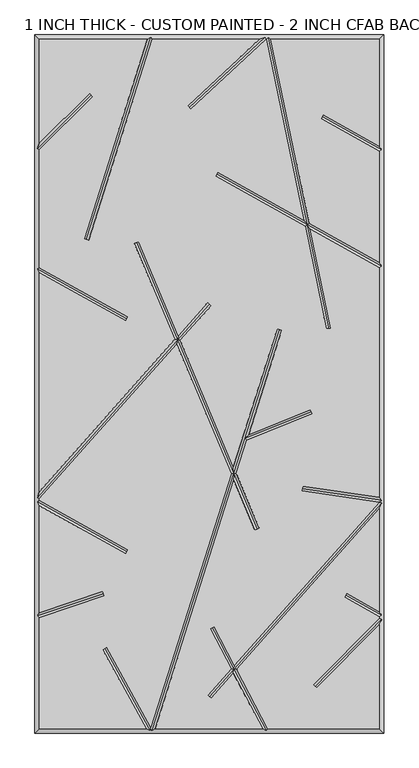
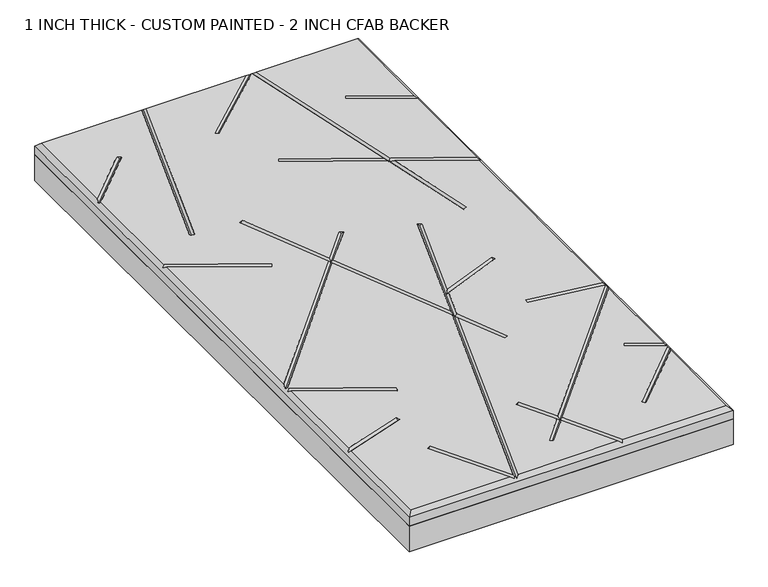
"""IFC4 building model written with IfcOpenShell, lengths in millimetres: proxy geometry, 1 INCH THICK - CUSTOM PAINTED - 2 INCH CFAB BACKER."""

from ifc_helpers import new_model, si_unit, frame, origin, place, context, project, spatial, polyline, outline, extrude, faceted_brep, source, transform, mapped, element, save


def proxy_1_inch_thick_custom_painted_2_inch_cfab_backer_a91a8af3(model_context):
    return source(origin(), model_context, "Body", "SolidModel", [
        extrude(outline(polyline([(-304.8, 609.6), (304.8, 609.6), (304.8, -609.6), (-304.8, -609.6), (-304.8, 609.6)])), frame((0.0, 0.0, -50.8), z_axis=(0.0, 0.0, 1.0), x_axis=(1.0, 0.0, 0.0)), (0.0, 0.0, 1.0), 50.8),
        faceted_brep([(-296.799, 601.599, 25.4), (-296.799, 420.0585614, 25.4), (-209.465267, 507.3922944, 25.4), (-203.8077056, 501.734733, 25.4), (-296.799, 408.7434386, 25.4), (-296.799, 203.3118869, 25.4), (-142.5916835, 117.1439143, 25.4), (-146.4945108, 110.1593642, 25.4), (-296.799, 194.1465147, 25.4), (-296.799, -188.1783655, 25.4), (-60.414797, 77.7314881, 25.4), (-130.9100687, 245.4965414, 25.4), (-123.5338229, 248.5960573, 25.4), (-54.5217155, 84.360647, 25.4), (-2.9898999, 142.3290618, 25.4), (2.9898999, 137.0132369, 25.4), (-51.0856167, 76.1833992, 25.4), (41.8198404, -144.9135422, 25.4), (118.4676512, 96.3670459, 25.4), (126.0931354, 93.9446518, 25.4), (68.2308495, -88.200751, 25.4), (176.389257, -44.7967941, 25.4), (179.3690728, -52.2222031, 25.4), (65.0919979, -98.0815805, 25.4), (46.6006106, -156.2908465, 25.4), (86.8913986, -252.1750957, 25.4), (79.5151528, -255.2746116, 25.4), (42.86425, -168.0525821, 25.4), (-94.8608114, -601.599, 25.4), (92.8718763, -601.599, 25.4), (41.9909547, -504.8565668, 25.4), (2.9898999, -548.7290618, 25.4), (-2.9898999, -543.4132369, 25.4), (38.011603, -497.2904271, 25.4), (1.2803392, -427.4514438, 25.4), (8.3616601, -423.7270787, 25.4), (43.691373, -490.9012234, 25.4), (296.799, -206.1791008, 25.4), (161.5180376, -186.5574472, 25.4), (162.66123, -178.6385386, 25.4), (296.799, -198.0029854, 25.4), (296.799, 203.0881131, 25.4), (176.1280645, 270.5166249, 25.4), (212.0312358, 97.6915725, 25.4), (204.1974911, 96.064168, 25.4), (166.8830535, 275.6825527, 25.4), (10.5996532, 363.0105994, 25.4), (14.5024805, 369.9951496, 25.4), (164.7289602, 286.0515892, 25.4), (99.1762375, 601.599, 25.4), (98.8402099, 601.599, 25.4), (-32.7718055, 479.8900914, 25.4), (-38.2040457, 485.7643375, 25.4), (87.055753, 601.599, 25.4), (-99.9441805, 601.599, 25.4), (-211.1838045, 251.4264167, 25.4), (-218.8092886, 253.8488108, 25.4), (-108.3391886, 601.599, 25.4), (101.9119977, -601.599, 25.4), (296.799, -601.599, 25.4), (296.799, -420.1587392, 25.4), (187.3700731, -530.5992999, 25.4), (181.6865411, -524.967829, 25.4), (296.799, -408.7911939, 25.4), (296.799, -406.5118869, 25.4), (236.129826, -372.6111626, 25.4), (240.0326533, -365.6266125, 25.4), (296.799, -397.3465147, 25.4), (296.799, -218.2216345, 25.4), (47.6707247, -498.4673632, 25.4), (173.9739712, 280.8856615, 25.4), (296.799, 212.2534853, 25.4), (296.799, 406.2881131, 25.4), (194.792886, 463.287095, 25.4), (198.6957133, 470.2716451, 25.4), (296.799, 415.4534853, 25.4), (296.799, 601.599, 25.4), (107.3480638, 601.599, 25.4), (38.0834798, -156.6752779, 25.4), (-56.9786982, 69.5542403, 25.4), (-296.799, -200.2208992, 25.4), (-296.799, -203.0881131, 25.4), (-142.5916835, -289.2560857, 25.4), (-146.4945108, -296.2406358, 25.4), (-296.799, -212.2534853, 25.4), (-296.799, -399.4880331, 25.4), (-186.4041101, -362.3555047, 25.4), (-183.8533173, -369.9390037, 25.4), (-296.799, -407.9295192, 25.4), (-296.799, -601.599, 25.4), (-110.5588891, -601.599, 25.4), (-186.2344077, -463.8225395, 25.4), (-179.2216231, -459.970676, 25.4), (-102.5869372, -599.4934169, 25.4), (-304.8, 609.6, 0.0), (304.8, 609.6, 0.0), (304.8, -609.6, 0.0), (-304.8, -609.6, 0.0), (-304.8, -609.6, 17.399), (-304.8, 609.6, 17.399), (304.8, -609.6, 17.399), (304.8, 609.6, 17.399), (-102.8708423, 605.5995, 21.3995), (97.2739907, 605.5995, 21.3995), (102.4310753, 605.5995, 21.3995), (-300.7995, -405.0543881, 21.3995), (-300.7995, -205.4353996, 21.3995), (-300.7995, -198.6998162, 21.3995), (-300.7995, 200.9646004, 21.3995), (-300.7995, 410.4005, 21.3995), (99.4959685, -605.5995, 21.3995), (-100.3291577, -605.5995, 21.3995), (-102.246608, -602.9785071, 24.0204929), (-103.7973268, -605.5995, 21.3995), (300.7995, 408.6353996, 21.3995), (300.7995, 205.4353996, 21.3995), (300.7995, -202.6224783, 21.3995), (300.7995, -207.7001838, 21.3995), (300.7995, -404.1646004, 21.3995), (300.7995, -410.4374833, 21.3995), (-206.6364863, 504.5635137, 21.3995), (-214.9965466, 252.6376137, 21.3995), (-144.5430971, 113.6516392, 21.3995), (12.5510669, 366.5028745, 21.3995), (170.4285124, 278.2841071, 21.3995), (-35.4879256, 482.8272145, 21.3995), (208.1143635, 96.8778703, 21.3995), (196.7442997, 466.77937, 21.3995), (122.2803933, 95.1558489, 21.3995), (42.3420452, -156.4830622, 21.3995), (61.850634, -95.0717351, 21.3995), (83.2032757, -253.7248536, 21.3995), (-127.2219458, 247.0462994, 21.3995), (-55.7502068, 76.9574436, 21.3995), (0.0, 139.6711493, 21.3995), (-185.1287137, -366.1472542, 21.3995), (-144.5430971, -292.7483608, 21.3995), (-182.7280154, -461.8966077, 21.3995), (4.8209997, -425.5892613, 21.3995), (42.8411639, -497.8788951, 21.3995), (184.5283071, -527.7835644, 21.3995), (238.0812397, -369.1188875, 21.3995), (0.0, -546.0711493, 21.3995), (162.0896338, -182.5979929, 21.3995), (177.8791649, -48.5094986, 21.3995)], [[[0, 1, 2, 3, 4, 5, 6, 7, 8, 9, 10, 11, 12, 13, 14, 15, 16, 17, 18, 19, 20, 21, 22, 23, 24, 25, 26, 27, 28, 29, 30, 31, 32, 33, 34, 35, 36, 37, 38, 39, 40, 41, 42, 43, 44, 45, 46, 47, 48, 49, 50, 51, 52, 53, 54, 55, 56, 57]], [[58, 59, 60, 61, 62, 63, 64, 65, 66, 67, 68, 69]], [[70, 71, 72, 73, 74, 75, 76, 77]], [[78, 79, 80, 81, 82, 83, 84, 85, 86, 87, 88, 89, 90, 91, 92, 93]], [[94, 95, 96, 97]], [[94, 97, 98, 99]], [[97, 96, 100, 98]], [[96, 95, 101, 100]], [[95, 94, 99, 101]], [[99, 0, 57, 102, 54, 53, 103, 50, 49, 104, 77, 76, 101]], [[0, 99, 98, 89, 88, 105, 85, 84, 106, 81, 80, 107, 9, 8, 108, 5, 4, 109, 1]], [[89, 98, 100, 59, 58, 110, 29, 28, 111, 112, 113, 90]], [[101, 76, 75, 114, 72, 71, 115, 41, 40, 116, 37, 117, 68, 67, 118, 64, 63, 119, 60, 59, 100]], [[2, 120, 3]], [[120, 2, 1, 109]], [[3, 120, 109, 4]], [[55, 121, 56]], [[121, 55, 54, 102]], [[56, 121, 102, 57]], [[6, 122, 7]], [[122, 6, 5, 108]], [[7, 122, 108, 8]], [[46, 123, 47]], [[41, 115, 124, 42]], [[123, 46, 45, 124]], [[115, 71, 70, 124]], [[47, 123, 124, 48]], [[51, 125, 52]], [[125, 51, 50, 103]], [[52, 125, 103, 53]], [[43, 126, 44]], [[44, 126, 124, 45]], [[124, 104, 49, 48]], [[126, 43, 42, 124]], [[104, 124, 70, 77]], [[73, 127, 74]], [[127, 73, 72, 114]], [[74, 127, 114, 75]], [[18, 128, 19]], [[111, 28, 27, 129]], [[19, 128, 130, 20]], [[129, 24, 23, 130]], [[128, 18, 17, 129, 130]], [[111, 129, 78, 93, 112]], [[25, 131, 26]], [[11, 132, 12]], [[78, 129, 133, 79]], [[26, 131, 129, 27]], [[132, 11, 10, 133]], [[129, 17, 16, 133]], [[131, 25, 24, 129]], [[12, 132, 133, 13]], [[14, 134, 15]], [[134, 14, 13, 133]], [[107, 133, 10, 9]], [[15, 134, 133, 16]], [[133, 107, 80, 79]], [[86, 135, 87]], [[135, 86, 85, 105]], [[87, 135, 105, 88]], [[82, 136, 83]], [[83, 136, 106, 84]], [[136, 82, 81, 106]], [[91, 137, 92]], [[137, 91, 90, 113]], [[92, 137, 113, 112, 93]], [[34, 138, 35]], [[29, 110, 139, 30]], [[138, 34, 33, 139]], [[110, 58, 69, 139]], [[35, 138, 139, 36]], [[61, 140, 62]], [[62, 140, 119, 63]], [[140, 61, 60, 119]], [[65, 141, 66]], [[141, 65, 64, 118]], [[66, 141, 118, 67]], [[31, 142, 32]], [[32, 142, 139, 33]], [[139, 117, 37, 36]], [[142, 31, 30, 139]], [[117, 139, 69, 68]], [[38, 143, 39]], [[143, 38, 37, 116]], [[39, 143, 116, 40]], [[21, 144, 22]], [[144, 21, 20, 130]], [[22, 144, 130, 23]]]),
    ])


if __name__ == "__main__":
    model = new_model("IFC4")
    model_context = context("Model", 3, world=origin())
    ifc_project = project(units=[si_unit("LENGTHUNIT", "METRE", prefix="MILLI")], contexts=[model_context])
    site = spatial("IfcSite", under=ifc_project)
    building = spatial("IfcBuilding", under=site)
    placement = place(None, origin())
    proxy_1_inch_thick_custom_painted_2_inch_cfab_backer_shape = proxy_1_inch_thick_custom_painted_2_inch_cfab_backer_a91a8af3(model_context)
    element("IfcBuildingElementProxy", 1, Name="1 INCH THICK - CUSTOM PAINTED - 2 INCH CFAB BACKER", ObjectType="1 INCH THICK - CUSTOM PAINTED - 2 INCH CFAB BACKER", at=placement, inside=building, context=model_context, shape_type="MappedRepresentation", body=[
        mapped(proxy_1_inch_thick_custom_painted_2_inch_cfab_backer_shape, transform((0.0, 0.0, 0.0), x_axis=(1.0, 0.0, 0.0), y_axis=(0.0, 1.0, 0.0), z_axis=(0.0, 0.0, 1.0))),
    ])
    save(model, "model.ifc")
